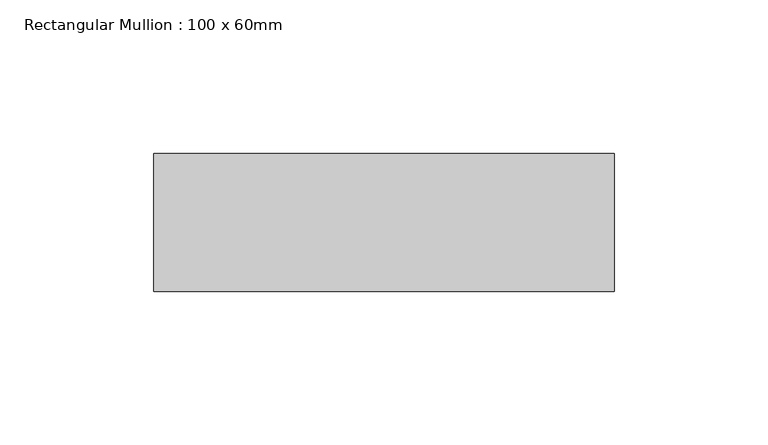
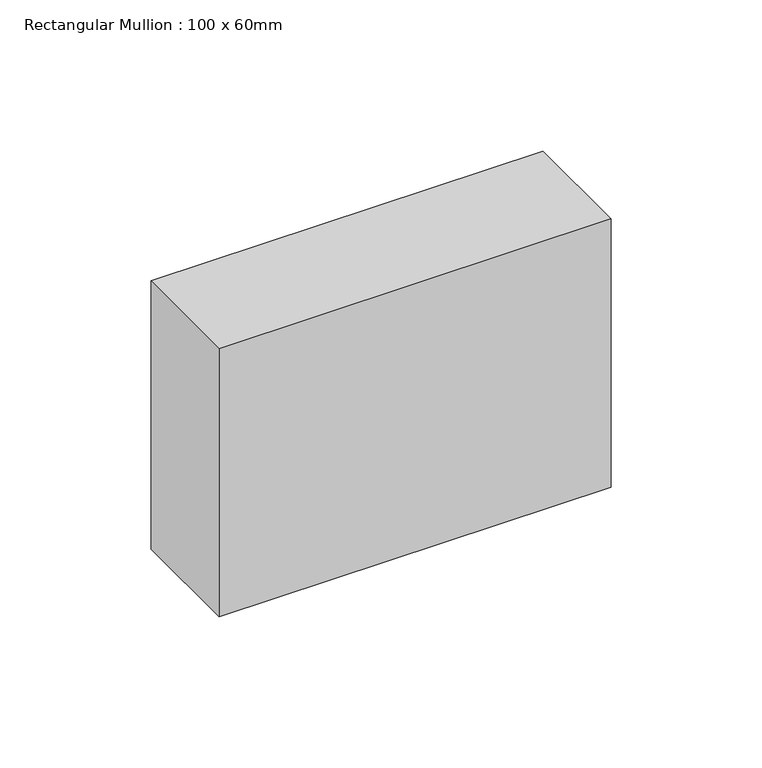
"""IFC4 building model written with IfcOpenShell, lengths in millimetres: member geometry, Rectangular Mullion : 100 x 60mm."""

from ifc_helpers import new_model, si_unit, frame, origin, place, context, project, spatial, polyline, outline, extrude, source, transform, mapped, element, save


def rectangular_mullion_100_x_60mm_2dd6c789(model_context):
    return source(origin(), model_context, "Body", "SweptSolid", [
        extrude(outline(polyline([(-150.0, 30.0), (0.0, 30.0), (0.0, -15.0), (-150.0, -15.0), (-150.0, 30.0)])), frame((0.0, 0.0, -108.4952371), z_axis=(0.0, 0.0, 1.0), x_axis=(1.0, 0.0, 0.0)), (0.0, 0.0, 1.0), 108.4952371),
    ])


if __name__ == "__main__":
    model = new_model("IFC4")
    model_context = context("Model", 3, world=origin())
    ifc_project = project(units=[si_unit("LENGTHUNIT", "METRE", prefix="MILLI")], contexts=[model_context])
    site = spatial("IfcSite", under=ifc_project)
    building = spatial("IfcBuilding", under=site)
    placement = place(None, origin())
    rectangular_mullion_100_x_60mm_shape = rectangular_mullion_100_x_60mm_2dd6c789(model_context)
    element("IfcMember", 1, ObjectType="Rectangular Mullion : 100 x 60mm", at=placement, inside=building, context=model_context, shape_type="MappedRepresentation", body=[
        mapped(rectangular_mullion_100_x_60mm_shape, transform((0.0, 0.0, 0.0), x_axis=(1.0, 0.0, 0.0), y_axis=(0.0, 1.0, 0.0), z_axis=(0.0, 0.0, 1.0))),
    ])
    save(model, "model.ifc")
